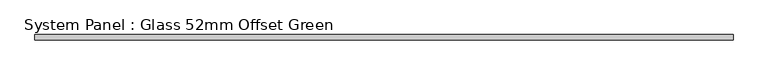
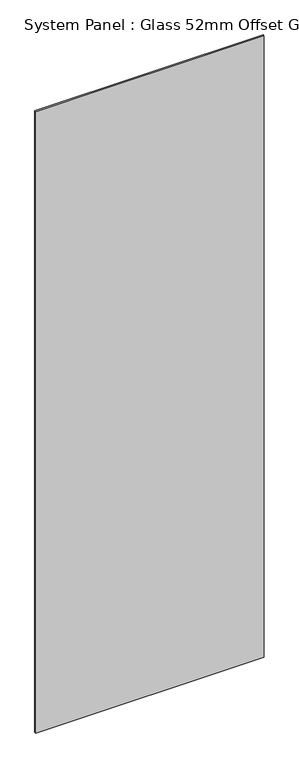
"""IFC4 building model written with IfcOpenShell, lengths in millimetres: plate geometry, System Panel : Glass 52mm Offset Green."""

import ifcopenshell
import ifcopenshell.guid

model = None  # the IFC model being written
_history = None  # IfcOwnerHistory: only IFC2X3 demands one
_inside = {}  # id of a spatial element -> (the spatial element, [elements in it])
_under = {}  # id of a project, library or spatial element -> (it, [spatial elements below it])
_declared = {}  # id of a project -> (the project, [libraries it declares])
_typed = {}  # id of a type object -> (the type object, [elements of that type])
_made_of = {}  # id of a material, layer set ... -> (it, [elements and type objects made of it])


def new_model(schema):
    """Start an empty IFC model of exactly this schema.

    Asked for "IFC4X3", IfcOpenShell would pick the latest addendum, in which some entities
    have other attributes; the version numbers below select the first issue.
    IFC2X3 requires an IfcOwnerHistory on every rooted entity: one is made here for all.
    """
    global model, _history
    if schema == "IFC4X3":
        model = ifcopenshell.file(schema_version=(4, 3, 0, 0))
    else:
        model = ifcopenshell.file(schema=schema)
    _inside.clear()
    _under.clear()
    _declared.clear()
    _typed.clear()
    _made_of.clear()
    _history = None
    if model.schema == "IFC2X3":
        org = make("IfcOrganization", Name="unknown")
        user = make(
            "IfcPersonAndOrganization",
            ThePerson=make("IfcPerson", FamilyName="unknown"),
            TheOrganization=org,
        )
        app = make(
            "IfcApplication",
            ApplicationDeveloper=org,
            Version="unknown",
            ApplicationFullName="unknown",
            ApplicationIdentifier="unknown",
        )
        _history = make(
            "IfcOwnerHistory",
            OwningUser=user,
            OwningApplication=app,
            ChangeAction="ADDED",
            CreationDate=0,
        )
    return model


def make(cls, **values):
    """One entity of the class cls with the attributes given. An attribute that is None is left unset."""
    return model.create_entity(
        cls, **{name: value for name, value in values.items() if value is not None}
    )


def rooted(cls, **values):
    """An entity with a GlobalId (a new one), such as an element, a storey or a relation."""
    return make(cls, GlobalId=ifcopenshell.guid.new(), OwnerHistory=_history, **values)


def si_unit(unit_type, name, prefix=None):
    """IfcSIUnit, for example si_unit("LENGTHUNIT", "METRE", prefix="MILLI")."""
    return make("IfcSIUnit", UnitType=unit_type, Prefix=prefix, Name=name)


def assignment(units):
    """IfcUnitAssignment: the units of a project."""
    return None if units is None else make("IfcUnitAssignment", Units=units)


def point(xyz):
    """IfcCartesianPoint."""
    return None if xyz is None else make("IfcCartesianPoint", Coordinates=xyz)


def direction(xyz):
    """IfcDirection."""
    return None if xyz is None else make("IfcDirection", DirectionRatios=xyz)


def frame(location, z_axis=None, x_axis=None):
    """IfcAxis2Placement3D, a coordinate frame: its origin and axes. An axis left out is left unset."""
    return make(
        "IfcAxis2Placement3D",
        Location=point(location),
        Axis=direction(z_axis),
        RefDirection=direction(x_axis),
    )


def origin():
    """The frame at (0, 0, 0) with its axes left unset."""
    return frame((0.0, 0.0, 0.0))


def origin_with_axes():
    """The frame at (0, 0, 0) with the z axis (0, 0, 1) and the x axis (1, 0, 0) written out."""
    return frame((0.0, 0.0, 0.0), z_axis=(0.0, 0.0, 1.0), x_axis=(1.0, 0.0, 0.0))


def place(relative_to, where):
    """IfcLocalPlacement: puts the frame where relative to a parent placement (None: the world)."""
    return make(
        "IfcLocalPlacement", PlacementRelTo=relative_to, RelativePlacement=where
    )


def context(
    kind, dimensions, precision=None, world=None, true_north=None, identifier=None
):
    """IfcGeometricRepresentationContext, for example the 3D "Model" context."""
    return make(
        "IfcGeometricRepresentationContext",
        ContextIdentifier=identifier,
        ContextType=kind,
        CoordinateSpaceDimension=dimensions,
        Precision=precision,
        WorldCoordinateSystem=world,
        TrueNorth=true_north,
    )


def project(units=None, contexts=None):
    """IfcProject with its units and contexts."""
    return rooted(
        "IfcProject",
        Name="project",
        RepresentationContexts=contexts,
        UnitsInContext=assignment(units),
    )


def spatial(cls, under=None, at=None, **own):
    """A site, building, storey or space (cls), placed at a placement, below another one or the project."""
    s = rooted(cls, ObjectPlacement=at, **own)
    if under is not None:
        _under.setdefault(under.id(), (under, []))[1].append(s)
    return s


def polyline(points):
    """IfcPolyline through the points."""
    return make("IfcPolyline", Points=[point(p) for p in points])


def outline(outer, holes=None, kind="AREA"):
    """IfcArbitraryClosedProfileDef: a profile drawn as a closed curve; with holes, ...WithVoids."""
    if holes is None:
        return make("IfcArbitraryClosedProfileDef", ProfileType=kind, OuterCurve=outer)
    return make(
        "IfcArbitraryProfileDefWithVoids",
        ProfileType=kind,
        OuterCurve=outer,
        InnerCurves=holes,
    )


def extrude(swept, where, along, depth):
    """IfcExtrudedAreaSolid: the profile swept, set in the frame where, extruded along a direction by depth."""
    return make(
        "IfcExtrudedAreaSolid",
        SweptArea=swept,
        Position=where,
        ExtrudedDirection=direction(along),
        Depth=depth,
    )


def shape(context_of_items, identifier, shape_type, items):
    """IfcShapeRepresentation: the items that make up one representation, for example the "Body"."""
    return make(
        "IfcShapeRepresentation",
        ContextOfItems=context_of_items,
        RepresentationIdentifier=identifier,
        RepresentationType=shape_type,
        Items=items,
    )


def source(mapping_origin, context_of_items, identifier, shape_type, items):
    """IfcRepresentationMap: a shape defined once, which mapped items show again and again."""
    return make(
        "IfcRepresentationMap",
        MappingOrigin=mapping_origin,
        MappedRepresentation=shape(context_of_items, identifier, shape_type, items),
    )


def transform(
    local_origin,
    x_axis=None,
    y_axis=None,
    z_axis=None,
    scale=None,
    scale2=None,
    scale3=None,
    uniform=True,
):
    """IfcCartesianTransformationOperator3D, or its non-uniform kind. x_axis, y_axis, z_axis: its Axis1, 2, 3."""
    if uniform:
        return make(
            "IfcCartesianTransformationOperator3D",
            Axis1=direction(x_axis),
            Axis2=direction(y_axis),
            LocalOrigin=point(local_origin),
            Scale=scale,
            Axis3=direction(z_axis),
        )
    return make(
        "IfcCartesianTransformationOperator3DnonUniform",
        Axis1=direction(x_axis),
        Axis2=direction(y_axis),
        LocalOrigin=point(local_origin),
        Scale=scale,
        Axis3=direction(z_axis),
        Scale2=scale2,
        Scale3=scale3,
    )


def mapped(mapping_source, mapping_target):
    """IfcMappedItem: shows the shape of a source again, moved by a transform."""
    return make(
        "IfcMappedItem", MappingSource=mapping_source, MappingTarget=mapping_target
    )


def made_of(thing, what):
    """Note that an element or type object is made of a material, layer set ...; save() writes the relation."""
    if what is not None:
        _made_of.setdefault(what.id(), (what, []))[1].append(thing)
    return thing


def element(
    cls,
    number,
    at=None,
    inside=None,
    cuts=None,
    type_object=None,
    material=None,
    context=None,
    identifier="Body",
    shape_type=None,
    held_by="IfcProductDefinitionShape",
    body=None,
    shapes=None,
    **own,
):
    """One element of the class cls, such as IfcWall. Its Tag is "e" and its number.

    at: its placement. inside: the storey or other place that contains it. cuts: it is an
    opening in that element (IfcRelVoidsElement). A single representation is given by context,
    identifier, shape_type and body (its items); several are given by shapes. held_by: the class
    of the entity that holds the representations. save() writes the other relations.
    """
    e = rooted(cls, Tag="e%d" % number, ObjectPlacement=at, **own)
    if body is not None:
        shapes = [shape(context, identifier, shape_type, body)]
    if shapes is not None:
        e.Representation = make(held_by, Representations=shapes)
    if inside is not None:
        _inside.setdefault(inside.id(), (inside, []))[1].append(e)
    if cuts is not None:
        rooted(
            "IfcRelVoidsElement", RelatingBuildingElement=cuts, RelatedOpeningElement=e
        )
    if type_object is not None:
        _typed.setdefault(type_object.id(), (type_object, []))[1].append(e)
    return made_of(e, material)


def aggregate(whole, parts):
    """IfcRelAggregates: a whole, such as a stair, and the parts it consists of."""
    return rooted("IfcRelAggregates", RelatingObject=whole, RelatedObjects=parts)


def save(model, path):
    """Write the relations noted so far, then the file.

    IfcRelAggregates (storeys below a building ...), IfcRelContainedInSpatialStructure (elements
    in a storey), IfcRelDefinesByType, IfcRelAssociatesMaterial and IfcRelDeclares: one each for
    every whole, place, type object, material and project.
    """
    for whole, parts in _under.values():
        aggregate(whole, parts)
    for where, things in _inside.values():
        rooted(
            "IfcRelContainedInSpatialStructure",
            RelatedElements=things,
            RelatingStructure=where,
        )
    for kind, things in _typed.values():
        rooted("IfcRelDefinesByType", RelatedObjects=things, RelatingType=kind)
    for what, things in _made_of.values():
        rooted("IfcRelAssociatesMaterial", RelatedObjects=things, RelatingMaterial=what)
    for by, libraries in _declared.values():
        rooted("IfcRelDeclares", RelatingContext=by, RelatedDefinitions=libraries)
    model.write(path)


def system_panel_glass_52mm_offset_green_d9f4fc84(model_context):
    return source(origin(), model_context, "Body", "SweptSolid", [
        extrude(outline(polyline([(673.2669, -57.0), (-673.2669, -57.0), (-673.2669, -47.0), (673.2669, -47.0), (673.2669, -57.0)])), origin_with_axes(), (0.0, 0.0, 1.0), 3870.5),
    ])


if __name__ == "__main__":
    model = new_model("IFC4")
    model_context = context("Model", 3, world=origin())
    ifc_project = project(units=[si_unit("LENGTHUNIT", "METRE", prefix="MILLI")], contexts=[model_context])
    site = spatial("IfcSite", under=ifc_project)
    building = spatial("IfcBuilding", under=site)
    placement = place(None, origin())
    system_panel_glass_52mm_offset_green_shape = system_panel_glass_52mm_offset_green_d9f4fc84(model_context)
    element("IfcPlate", 1, ObjectType="System Panel : Glass 52mm Offset Green", at=placement, inside=building, context=model_context, shape_type="MappedRepresentation", body=[
        mapped(system_panel_glass_52mm_offset_green_shape, transform((0.0, 0.0, 0.0), x_axis=(1.0, 0.0, 0.0), y_axis=(0.0, 1.0, 0.0), z_axis=(0.0, 0.0, 1.0))),
    ])
    save(model, "model.ifc")
